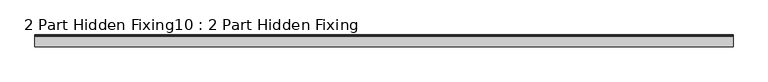
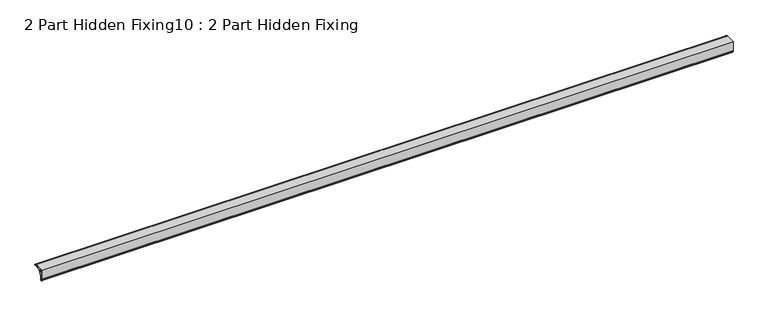
"""IFC4 building model written with IfcOpenShell, lengths in millimetres: proxy geometry, 2 Part Hidden Fixing10 : 2 Part Hidden Fixing."""

from ifc_helpers import new_model, si_unit, point, frame, frame_2d, origin, place, context, project, spatial, polyline, circle_curve, trimmed, segment, composite_curve, outline, extrude, source, transform, mapped, element, save


def proxy_2_part_hidden_fixing10_2_part_hidden_fixing_abab7380(model_context):
    return source(origin(), model_context, "Body", "SweptSolid", [
        extrude(outline(composite_curve([segment(polyline([(962.8574368, 1396.1887139), (962.8574368, 1388.1387139)]), True, "CONTINUOUS"), segment(trimmed(circle_curve(frame_2d((960.8167528, 1388.1387139)), 2.040684), [point((962.8574368, 1388.1387139))], [point((960.3161957, 1386.1603728))], False, "CARTESIAN"), True, "CONTINUOUS"), segment(trimmed(circle_curve(frame_2d((960.54163, 1387.051352)), 0.9190564), [point((960.3161957, 1386.1603728))], [point((960.5169606, 1387.9700773))], False, "CARTESIAN"), True, "CONTINUOUS"), segment(trimmed(circle_curve(frame_2d((960.4932784, 1388.8520351)), 0.8822757), [point((960.5169606, 1387.9700773))], [point((960.4884228, 1389.7342974))], True, "CARTESIAN"), True, "CONTINUOUS"), segment(polyline([(960.4884228, 1389.7342974), (958.705454, 1389.7387164)]), True, "CONTINUOUS"), segment(trimmed(circle_curve(frame_2d((958.8584598, 1390.9937296)), 1.2643057), [point((958.705454, 1389.7387164))], [point((957.6574368, 1391.3887139))], False, "CARTESIAN"), True, "CONTINUOUS"), segment(polyline([(957.6574368, 1391.3887139), (957.6574368, 1426.3887139), (992.6574368, 1426.3887139)]), True, "CONTINUOUS"), segment(trimmed(circle_curve(frame_2d((993.0524211, 1425.187691)), 1.2643057), [point((992.6574368, 1426.3887139))], [point((994.3074343, 1425.3406967))], False, "CARTESIAN"), True, "CONTINUOUS"), segment(polyline([(994.3074343, 1425.3406967), (994.3118533, 1423.5577279)]), True, "CONTINUOUS"), segment(trimmed(circle_curve(frame_2d((995.1941156, 1423.5528723)), 0.8822757), [point((994.3118533, 1423.5577279))], [point((996.0760734, 1423.5291901))], True, "CARTESIAN"), True, "CONTINUOUS"), segment(trimmed(circle_curve(frame_2d((996.9947987, 1423.5045207)), 0.9190564), [point((996.0760734, 1423.5291901))], [point((997.8857779, 1423.729955))], False, "CARTESIAN"), True, "CONTINUOUS"), segment(trimmed(circle_curve(frame_2d((995.9074368, 1423.2293979)), 2.040684), [point((997.8857779, 1423.729955))], [point((995.9074368, 1421.1887139))], False, "CARTESIAN"), True, "CONTINUOUS"), segment(polyline([(995.9074368, 1421.1887139), (987.8574368, 1421.1887139)]), True, "CONTINUOUS"), segment(trimmed(circle_curve(frame_2d((987.8574368, 1396.1887139)), 25.0), [point((987.8574368, 1421.1887139))], [point((962.8574368, 1396.1887139))], True, "CARTESIAN"), True, "CONTINUOUS")], self_intersect=False), holes=[composite_curve([segment(trimmed(circle_curve(frame_2d((987.8574368, 1396.1887139)), 26.4), [point((968.4961079, 1414.1358292))], [point((969.9103215, 1415.5500428))], False, "CARTESIAN"), True, "CONTINUOUS"), segment(polyline([(969.9103215, 1415.5500428), (963.4522181, 1422.0081462), (963.4522181, 1424.1887139), (959.8574368, 1424.1887139), (959.8574368, 1420.5939326), (962.0380045, 1420.5939326), (968.4961079, 1414.1358292)]), True, "CONTINUOUS")], self_intersect=False), composite_curve([segment(polyline([(961.4574368, 1392.6812187), (961.4574368, 1394.6889157)]), True, "CONTINUOUS"), segment(trimmed(circle_curve(frame_2d((959.3511477, 1394.6889157)), 2.1062891), [point((961.4574368, 1394.6889157))], [point((960.8743304, 1396.14369))], True, "CARTESIAN"), True, "CONTINUOUS"), segment(trimmed(circle_curve(frame_2d((961.8908143, 1397.1145222)), 1.4056154), [point((960.8743304, 1396.14369))], [point((960.6574368, 1397.7887139))], False, "CARTESIAN"), True, "CONTINUOUS"), segment(trimmed(circle_curve(frame_2d((967.590636, 1393.998872)), 7.901402), [point((960.6574368, 1397.7887139))], [point((961.6278108, 1399.1831626))], False, "CARTESIAN"), True, "CONTINUOUS"), segment(trimmed(circle_curve(frame_2d((987.8574368, 1396.1887139)), 26.4), [point((961.6278108, 1399.1831626))], [point((967.4420918, 1412.9271036))], False, "CARTESIAN"), True, "CONTINUOUS"), segment(polyline([(967.4420918, 1412.9271036), (963.3550757, 1417.0141198)]), True, "CONTINUOUS"), segment(trimmed(circle_curve(frame_2d((962.6459932, 1416.5211208)), 0.8636238), [point((963.3550757, 1417.0141198))], [point((962.1529941, 1415.8120383))], False, "CARTESIAN"), True, "CONTINUOUS"), segment(polyline([(962.1529941, 1415.8120383), (959.8574368, 1417.4080551), (959.8574368, 1393.3064156)]), True, "CONTINUOUS"), segment(trimmed(circle_curve(frame_2d((960.4892442, 1392.5633798)), 0.9753373), [point((959.8574368, 1393.3064156))], [point((961.4574368, 1392.6812187))], True, "CARTESIAN"), True, "CONTINUOUS")], self_intersect=False), composite_curve([segment(trimmed(circle_curve(frame_2d((987.8574368, 1396.1887139)), 26.4), [point((971.1190471, 1416.6040589))], [point((984.8629881, 1422.4183399))], False, "CARTESIAN"), True, "CONTINUOUS"), segment(trimmed(circle_curve(frame_2d((990.0472787, 1416.4555147)), 7.901402), [point((984.8629881, 1422.4183399))], [point((986.2574368, 1423.3887139))], False, "CARTESIAN"), True, "CONTINUOUS"), segment(trimmed(circle_curve(frame_2d((986.9316286, 1422.1553364)), 1.4056154), [point((986.2574368, 1423.3887139))], [point((987.9024607, 1423.1718204))], False, "CARTESIAN"), True, "CONTINUOUS"), segment(trimmed(circle_curve(frame_2d((989.357235, 1424.695003)), 2.1062891), [point((987.9024607, 1423.1718204))], [point((989.357235, 1422.5887139))], True, "CARTESIAN"), True, "CONTINUOUS"), segment(polyline([(989.357235, 1422.5887139), (991.364932, 1422.5887139)]), True, "CONTINUOUS"), segment(trimmed(circle_curve(frame_2d((991.4827709, 1423.5569065)), 0.9753373), [point((991.364932, 1422.5887139))], [point((990.7397351, 1424.1887139))], True, "CARTESIAN"), True, "CONTINUOUS"), segment(polyline([(990.7397351, 1424.1887139), (966.6380956, 1424.1887139), (968.2341124, 1421.8931566)]), True, "CONTINUOUS"), segment(trimmed(circle_curve(frame_2d((967.52503, 1421.4001575)), 0.8636238), [point((968.2341124, 1421.8931566))], [point((967.0320309, 1420.6910751))], False, "CARTESIAN"), True, "CONTINUOUS"), segment(polyline([(967.0320309, 1420.6910751), (971.1190471, 1416.6040589)]), True, "CONTINUOUS")], self_intersect=False)]), frame((9687.3395579, 0.0, 0.0), z_axis=(1.0, 0.0, 0.0), x_axis=(0.0, 1.0, 0.0)), (0.0, 0.0, 1.0), 2410.0),
    ])


if __name__ == "__main__":
    model = new_model("IFC4")
    model_context = context("Model", 3, world=origin())
    ifc_project = project(units=[si_unit("LENGTHUNIT", "METRE", prefix="MILLI")], contexts=[model_context])
    site = spatial("IfcSite", under=ifc_project)
    building = spatial("IfcBuilding", under=site)
    placement = place(None, origin())
    proxy_2_part_hidden_fixing10_2_part_hidden_fixing_shape = proxy_2_part_hidden_fixing10_2_part_hidden_fixing_abab7380(model_context)
    element("IfcBuildingElementProxy", 1, Name="2 Part Hidden Fixing10 : 2 Part Hidden Fixing", ObjectType="2 Part Hidden Fixing10 : 2 Part Hidden Fixing", at=placement, inside=building, context=model_context, shape_type="MappedRepresentation", body=[
        mapped(proxy_2_part_hidden_fixing10_2_part_hidden_fixing_shape, transform((0.0, 0.0, 0.0), x_axis=(1.0, 0.0, 0.0), y_axis=(0.0, 1.0, 0.0), z_axis=(0.0, 0.0, 1.0))),
    ])
    save(model, "model.ifc")
